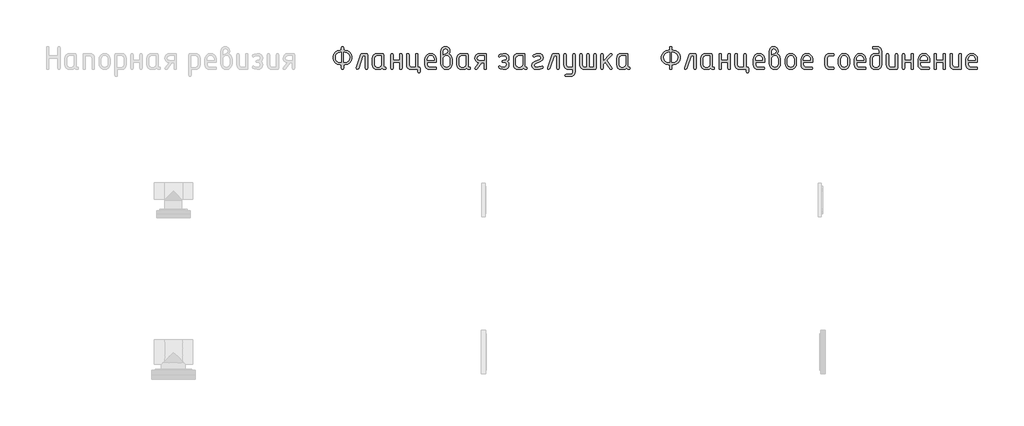
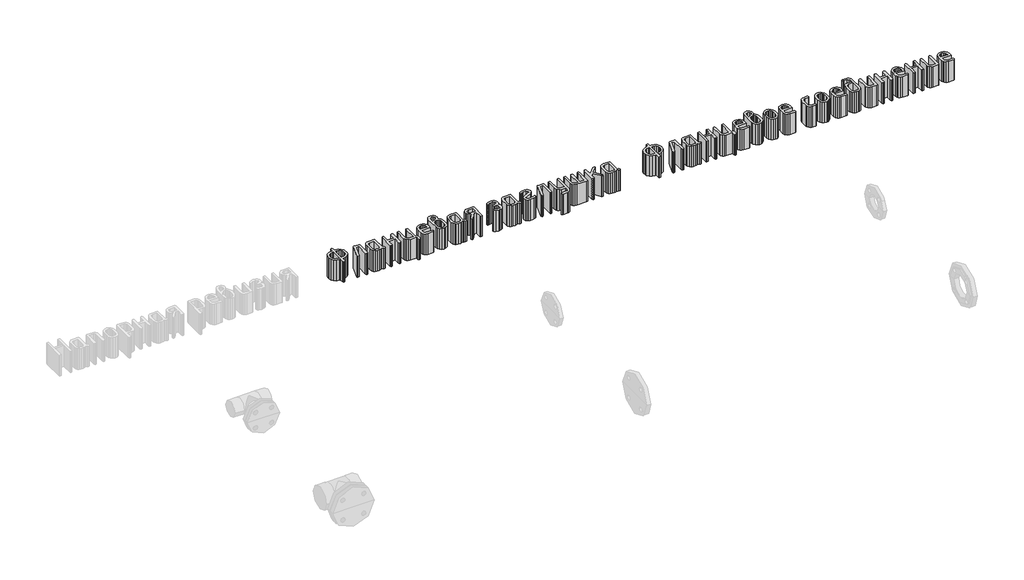
# One storey, part 3 of 3: 2 proxies.
"""IFC4 building model written with IfcOpenShell, lengths in millimetres."""

from ifc_helpers import new_model, si_unit, origin, origin_with_axes, place, context, project, spatial, polyline, outline, extrude, element, save

model = new_model("IFC4")

# Units and contexts
model_context = context("Model", 3, world=origin())
ifc_project = project(units=[si_unit("LENGTHUNIT", "METRE", prefix="MILLI")], contexts=[model_context])

# Site, building, storey
site = spatial("IfcSite", under=ifc_project)
building = spatial("IfcBuilding", under=site)
storey = spatial("IfcBuildingStorey", under=building, Elevation=0.0)

# Proxies
placement = place(None, origin())
element("IfcBuildingElementProxy", 1, Name="Generic Models", at=placement, inside=storey, context=model_context, shape_type="SweptSolid", body=[
    extrude(outline(polyline([(213478.4510747, 29626.5849621), (213478.4510747, 29603.5728393), (213476.5333978, 29597.8198086), (213470.7803671, 29595.9021317), (213465.0273364, 29597.8198086), (213463.1096595, 29603.5728393), (213463.1096595, 29626.5849621), (213455.4389519, 29626.5849621), (213437.7004406, 29629.8809693), (213422.8384446, 29639.7689908), (213412.7706409, 29654.2714223), (213409.4147063, 29671.4106596), (213409.4147063, 29678.9215608), (213412.8006046, 29696.1856468), (213422.9582994, 29710.6631086), (213437.8502591, 29720.4762209), (213455.4389519, 29723.7472583), (213463.1096595, 29723.7472583), (213463.1096595, 29739.0886735), (213465.0273364, 29744.8417042), (213470.7803671, 29746.7593811), (213476.5333978, 29744.8417042), (213478.4510747, 29739.0886735), (213478.4510747, 29723.7472583), (213486.1217823, 29723.7472583), (213503.8602936, 29720.4612391), (213518.7222896, 29710.6031812), (213528.7900933, 29696.1107376), (213532.1460279, 29678.9215608), (213532.1460279, 29671.4106596), (213528.7601296, 29654.1465736), (213518.6024348, 29639.6691118), (213503.7104751, 29629.8559995), (213486.1217823, 29626.5849621), (213478.4510747, 29626.5849621)]), holes=[polyline([(213478.4510747, 29641.9263773), (213486.1217823, 29641.9263773), (213498.0223658, 29644.0787698), (213507.9153813, 29650.5359475), (213514.5823049, 29660.0793865), (213516.8046127, 29671.4905628), (213516.8046127, 29678.8416576), (213514.567323, 29690.3027734), (213507.8554539, 29699.8362245), (213497.9474565, 29706.2634385), (213486.1217823, 29708.4058431), (213478.4510747, 29708.4058431), (213478.4510747, 29641.9263773)]), polyline([(213463.1096595, 29641.9263773), (213463.1096595, 29708.4058431), (213455.4389519, 29708.4058431), (213443.5383685, 29706.2534506), (213433.645353, 29699.7962729), (213426.9784294, 29690.2528339), (213424.7561215, 29678.8416576), (213424.7561215, 29671.4905628), (213426.9934112, 29660.029447), (213433.7052804, 29650.4959959), (213443.6132777, 29644.0687819), (213455.4389519, 29641.9263773), (213463.1096595, 29641.9263773)])]), origin_with_axes(), (0.0, 0.0, 1.0), 150.0),
    extrude(outline(polyline([(213599.1448646, 29700.7351355), (213629.3083242, 29700.7351355), (213635.0613549, 29698.8673981), (213636.9790318, 29693.2641859), (213636.9790318, 29603.3730813), (213635.0613549, 29597.7698691), (213629.3083242, 29595.9021317), (213623.5552935, 29597.7698691), (213621.6376166, 29603.3730813), (213621.6376166, 29685.3937203), (213604.4983793, 29685.3937203), (213576.212645, 29600.9759851), (213569.1412114, 29595.9021317), (213563.5080355, 29597.7998328), (213561.6303102, 29603.4929361), (213561.9898747, 29605.7701774), (213591.6339634, 29694.6225404), (213594.5504304, 29699.2069868), (213599.1448646, 29700.7351355)])), origin_with_axes(), (0.0, 0.0, 1.0), 150.0),
    extrude(outline(polyline([(213756.7938864, 29603.3730813), (213754.926149, 29597.7698691), (213749.3229368, 29595.9021317), (213739.8444192, 29597.8897239), (213732.2636027, 29603.8525005), (213723.1446495, 29597.8897239), (213712.1679469, 29595.9021317), (213697.3059509, 29595.9021317), (213685.8098774, 29598.0695061), (213676.2514566, 29604.5716293), (213669.8092608, 29614.2299291), (213667.6618622, 29625.8658332), (213667.6618622, 29670.771434), (213669.8092608, 29682.4073381), (213676.2514566, 29692.0656379), (213685.8098774, 29698.5677611), (213697.3059509, 29700.7351355), (213734.3810376, 29700.7351355), (213739.9542861, 29698.8673981), (213741.8120356, 29693.2641859), (213741.8120356, 29618.3549321), (213743.684767, 29612.7517199), (213749.302961, 29610.8839825), (213754.921155, 29609.0062572), (213756.7938864, 29603.3730813)]), holes=[polyline([(213726.4706204, 29685.3937203), (213697.5057089, 29685.3937203), (213687.2381472, 29681.0589715), (213683.0032774, 29670.571676), (213683.0032774, 29626.0655913), (213687.2780988, 29615.6182473), (213697.5057089, 29611.2435469), (213711.9681889, 29611.2435469), (213722.2357506, 29615.5782957), (213726.4706204, 29626.0655913), (213726.4706204, 29685.3937203)])]), origin_with_axes(), (0.0, 0.0, 1.0), 150.0),
    extrude(outline(polyline([(213803.1776964, 29641.9263773), (213803.1776964, 29603.5728393), (213801.2600195, 29597.8198086), (213795.5069888, 29595.9021317), (213789.7539581, 29597.7698691), (213787.8362812, 29603.3730813), (213787.8362812, 29693.2641859), (213789.7539581, 29698.8673981), (213795.5069888, 29700.7351355), (213801.2600195, 29698.9273255), (213803.1776964, 29693.5038956), (213803.1776964, 29657.2677925), (213846.6450395, 29657.2677925), (213846.6450395, 29693.5038956), (213848.5627164, 29698.9273255), (213854.3157471, 29700.7351355), (213860.0687778, 29698.8673981), (213861.9864547, 29693.2641859), (213861.9864547, 29603.3730813), (213860.0687778, 29597.7698691), (213854.3157471, 29595.9021317), (213848.5627164, 29597.8198086), (213846.6450395, 29603.5728393), (213846.6450395, 29641.9263773), (213803.1776964, 29641.9263773)])), origin_with_axes(), (0.0, 0.0, 1.0), 150.0),
    extrude(outline(polyline([(213974.4901661, 29611.2435469), (213980.2431968, 29609.32587), (213982.1608737, 29603.5728393), (213982.1608737, 29580.5607165), (213980.2431968, 29574.8076858), (213974.4901661, 29572.8900089), (213968.7371354, 29574.8076858), (213966.8194585, 29580.5607165), (213966.8194585, 29595.9021317), (213922.3133738, 29595.9021317), (213910.8173003, 29598.0844879), (213901.2588795, 29604.6315567), (213894.8166837, 29614.3048384), (213892.6692851, 29625.8658332), (213892.6692851, 29693.2641859), (213894.586962, 29698.8673981), (213900.3399927, 29700.7351355), (213906.0930234, 29698.8673981), (213908.0107003, 29693.2641859), (213908.0107003, 29626.1454945), (213912.2855217, 29615.6581989), (213922.5131318, 29611.2435469), (213951.4780433, 29611.2435469), (213951.4780433, 29693.2641859), (213953.3957202, 29698.8673981), (213959.1487509, 29700.7351355), (213964.9017816, 29698.8673981), (213966.8194585, 29693.2641859), (213966.8194585, 29611.2435469), (213974.4901661, 29611.2435469)])), origin_with_axes(), (0.0, 0.0, 1.0), 150.0),
    extrude(outline(polyline([(214028.1851193, 29641.9263773), (214028.1851193, 29626.5849621), (214032.6197471, 29615.7780537), (214043.1669701, 29611.2435469), (214080.6815244, 29611.2435469), (214086.3147003, 29609.32587), (214088.1924256, 29603.5728393), (214086.3147003, 29597.8198086), (214080.6815244, 29595.9021317), (214043.1669701, 29595.9021317), (214031.5110902, 29598.0695061), (214021.7129598, 29604.5716293), (214015.061018, 29614.2299291), (214012.8437041, 29625.8658332), (214012.8437041, 29663.3004844), (214015.6253344, 29677.693049), (214023.9702253, 29689.7883966), (214036.2103974, 29697.9984508), (214050.6778713, 29700.7351355), (214065.2552121, 29698.078354), (214077.3455657, 29690.1080094), (214085.4807106, 29678.2623594), (214088.1924256, 29663.9796616), (214088.1924256, 29641.9263773), (214028.1851193, 29641.9263773)]), holes=[polyline([(214050.6778713, 29687.2714456), (214042.0483252, 29685.623442), (214034.7771336, 29680.6794313), (214029.8331229, 29673.4082397), (214028.1851193, 29664.7786937), (214028.1851193, 29657.2677925), (214073.1706232, 29657.2677925), (214073.1706232, 29664.7786937), (214071.5226197, 29673.4082397), (214066.5786089, 29680.6794313), (214059.3074173, 29685.623442), (214050.6778713, 29687.2714456)])]), origin_with_axes(), (0.0, 0.0, 1.0), 150.0),
    extrude(outline(polyline([(214169.5738391, 29698.4179426), (214178.7477257, 29692.7797728), (214185.8141653, 29684.5747125), (214191.8268814, 29663.7799036), (214191.8268814, 29633.616444), (214189.1151664, 29619.0391032), (214180.9800214, 29606.8688465), (214168.9995348, 29598.6438104), (214154.7517947, 29595.9021317), (214140.4291453, 29598.6587922), (214128.4636405, 29606.9287739), (214120.3734411, 29619.1140125), (214117.676708, 29633.616444), (214117.676708, 29716.5959216), (214119.8191126, 29728.2817652), (214126.2463266, 29738.0099803), (214135.739826, 29744.5720309), (214147.0810871, 29746.7593811), (214158.4722876, 29744.5570491), (214167.9557992, 29737.9500529), (214174.3530495, 29728.2068559), (214176.4854662, 29716.5959216), (214174.7575594, 29706.3383477), (214169.5738391, 29698.4179426)]), holes=[polyline([(214133.0181232, 29693.4239924), (214150.5169249, 29700.8949419), (214159.1464709, 29706.1286018), (214163.0217763, 29715.9167443), (214158.7070033, 29726.5838221), (214147.9999739, 29730.8985951), (214137.3928236, 29726.5238947), (214133.0181232, 29715.9167443), (214133.0181232, 29693.4239924)]), polyline([(214176.4854662, 29633.7762505), (214176.4854662, 29663.7799036), (214174.9073779, 29672.4094497), (214170.1731131, 29679.6806412), (214163.1616069, 29684.624652), (214154.7517947, 29686.2726556), (214146.3419824, 29684.624652), (214139.3304763, 29679.6806412), (214134.5962114, 29672.4094497), (214133.0181232, 29663.7799036), (214133.0181232, 29633.7762505), (214134.5962114, 29625.0668012), (214139.3304763, 29617.7956096), (214146.3419824, 29612.8815626), (214154.7517947, 29611.2435469), (214163.1616069, 29612.8915505), (214170.1731131, 29617.8355612), (214174.9073779, 29625.1167407), (214176.4854662, 29633.7762505)])]), origin_with_axes(), (0.0, 0.0, 1.0), 150.0),
    extrude(outline(polyline([(214311.641736, 29603.3730813), (214309.7739986, 29597.7698691), (214304.1707864, 29595.9021317), (214294.6922689, 29597.8897239), (214287.1114524, 29603.8525005), (214277.9924992, 29597.8897239), (214267.0157965, 29595.9021317), (214252.1538005, 29595.9021317), (214240.657727, 29598.0695061), (214231.0993063, 29604.5716293), (214224.6571104, 29614.2299291), (214222.5097118, 29625.8658332), (214222.5097118, 29670.771434), (214224.6571104, 29682.4073381), (214231.0993063, 29692.0656379), (214240.657727, 29698.5677611), (214252.1538005, 29700.7351355), (214289.2288873, 29700.7351355), (214294.8021358, 29698.8673981), (214296.6598853, 29693.2641859), (214296.6598853, 29618.3549321), (214298.5326166, 29612.7517199), (214304.1508106, 29610.8839825), (214309.7690047, 29609.0062572), (214311.641736, 29603.3730813)]), holes=[polyline([(214281.3184701, 29685.3937203), (214252.3535586, 29685.3937203), (214242.0859968, 29681.0589715), (214237.851127, 29670.571676), (214237.851127, 29626.0655913), (214242.1259484, 29615.6182473), (214252.3535586, 29611.2435469), (214266.8160385, 29611.2435469), (214277.0836002, 29615.5782957), (214281.3184701, 29626.0655913), (214281.3184701, 29685.3937203)])]), origin_with_axes(), (0.0, 0.0, 1.0), 150.0),
    extrude(outline(polyline([(214368.2132046, 29641.047442), (214357.631024, 29644.1686609), (214349.0564114, 29650.8156087), (214343.3782899, 29660.0094712), (214341.4855828, 29670.771434), (214343.6629451, 29682.4073381), (214350.195032, 29692.0656379), (214359.8733076, 29698.5677611), (214371.4892359, 29700.7351355), (214409.1635967, 29700.7351355), (214414.9166274, 29698.8673981), (214416.8343043, 29693.2641859), (214416.8343043, 29603.3730813), (214414.9166274, 29597.7698691), (214409.1635967, 29595.9021317), (214403.410566, 29597.779857), (214401.4928891, 29603.4130329), (214401.4928891, 29640.8876356), (214386.2713287, 29640.8876356), (214355.0291759, 29598.978405), (214348.996484, 29595.9021317), (214343.3633081, 29597.7698691), (214341.4855828, 29603.3730813), (214342.9637921, 29607.9275639), (214368.2132046, 29641.047442)]), holes=[polyline([(214356.5073852, 29670.371918), (214360.942013, 29659.824695), (214371.4892359, 29655.3900672), (214401.4928891, 29655.3900672), (214401.4928891, 29685.3937203), (214371.4892359, 29685.3937203), (214360.8820856, 29681.0190199), (214356.5073852, 29670.371918)])]), origin_with_axes(), (0.0, 0.0, 1.0), 150.0),
    extrude(outline(polyline([(214549.793236, 29626.6249137), (214545.7980758, 29637.9711687), (214536.9288201, 29641.9263773), (214527.2605324, 29641.9263773), (214521.9469694, 29644.1237154), (214519.7895829, 29649.5571333), (214522.0068968, 29655.010527), (214529.417919, 29657.2677925), (214531.6951603, 29657.2677925), (214534.0922564, 29657.2677925), (214545.7581242, 29661.3228801), (214549.793236, 29671.3307564), (214545.4584872, 29681.3386327), (214534.7714336, 29685.3937203), (214527.2605324, 29685.3937203), (214511.8791656, 29681.5783423), (214502.9699584, 29677.7629643), (214498.9747982, 29680.4996491), (214497.2568793, 29685.7532848), (214500.3331526, 29691.4963276), (214509.5619727, 29696.6600721), (214527.2605324, 29700.7351355), (214534.7714336, 29700.7351355), (214546.4572772, 29698.6177006), (214556.2653956, 29692.2653959), (214562.9173373, 29682.8468057), (214565.1346512, 29671.5305144), (214562.4878576, 29658.2366188), (214554.5474767, 29649.5970849), (214562.4878576, 29640.4082164), (214565.1346512, 29626.5849621), (214562.9173373, 29614.6843786), (214556.2653956, 29604.7913631), (214546.4572772, 29598.1244395), (214534.7714336, 29595.9021317), (214527.2605324, 29595.9021317), (214509.4421179, 29599.8573403), (214500.3031889, 29604.9311938), (214497.2568793, 29610.8839825), (214498.9747982, 29616.1575939), (214503.0898132, 29618.8743029), (214512.2187543, 29615.0589249), (214527.2605324, 29611.2435469), (214534.7714336, 29611.2435469), (214545.4185356, 29615.7381021), (214549.793236, 29626.6249137)])), origin_with_axes(), (0.0, 0.0, 1.0), 150.0),
    extrude(outline(polyline([(214684.9495058, 29603.3730813), (214683.0817684, 29597.7698691), (214677.4785563, 29595.9021317), (214668.0000387, 29597.8897239), (214660.4192222, 29603.8525005), (214651.300269, 29597.8897239), (214640.3235663, 29595.9021317), (214625.4615704, 29595.9021317), (214613.9654969, 29598.0695061), (214604.4070761, 29604.5716293), (214597.9648802, 29614.2299291), (214595.8174816, 29625.8658332), (214595.8174816, 29670.771434), (214597.9648802, 29682.4073381), (214604.4070761, 29692.0656379), (214613.9654969, 29698.5677611), (214625.4615704, 29700.7351355), (214662.5366571, 29700.7351355), (214668.1099056, 29698.8673981), (214669.9676551, 29693.2641859), (214669.9676551, 29618.3549321), (214671.8403864, 29612.7517199), (214677.4585805, 29610.8839825), (214683.0767745, 29609.0062572), (214684.9495058, 29603.3730813)]), holes=[polyline([(214654.6262399, 29685.3937203), (214625.6613284, 29685.3937203), (214615.3937666, 29681.0589715), (214611.1588968, 29670.571676), (214611.1588968, 29626.0655913), (214615.4337182, 29615.6182473), (214625.6613284, 29611.2435469), (214640.1238083, 29611.2435469), (214650.39137, 29615.5782957), (214654.6262399, 29626.0655913), (214654.6262399, 29685.3937203)])]), origin_with_axes(), (0.0, 0.0, 1.0), 150.0),
    extrude(outline(polyline([(214783.1505437, 29618.7544481), (214788.7837196, 29616.8767228), (214790.6614449, 29611.2435469), (214786.4665267, 29604.3718713), (214768.0987777, 29598.0195666), (214741.9204904, 29595.9021317), (214731.7927593, 29597.8098207), (214723.3030438, 29603.5328877), (214717.5500131, 29611.9626757), (214715.6323362, 29621.9905278), (214719.3877868, 29636.0834555), (214730.6541386, 29645.6019247), (214769.5270474, 29664.2593228), (214774.1114938, 29668.2245193), (214775.6396426, 29674.2072718), (214772.3436354, 29682.117689), (214764.4132424, 29685.3937203), (214745.4362314, 29683.7956563), (214734.1698796, 29678.801706), (214730.6541386, 29677.8828191), (214725.4204787, 29680.1600605), (214723.1432374, 29685.3937203), (214727.1383976, 29692.1455411), (214743.0491232, 29698.5877369), (214764.4132424, 29700.7351355), (214774.5110098, 29698.8274465), (214782.9907373, 29693.1043795), (214788.743768, 29684.6745915), (214790.6614449, 29674.6467394), (214786.8760306, 29660.5538117), (214775.5197878, 29651.0353425), (214737.0064433, 29632.617654), (214732.2422148, 29628.5326027), (214730.6541386, 29622.4299955), (214733.9501458, 29614.5195783), (214741.9204904, 29611.2435469), (214762.4855776, 29612.9814416), (214780.31398, 29618.1951256), (214783.1505437, 29618.7544481)])), origin_with_axes(), (0.0, 0.0, 1.0), 150.0),
    extrude(outline(polyline([(214857.1409108, 29700.7351355), (214887.3043704, 29700.7351355), (214893.0574011, 29698.8673981), (214894.975078, 29693.2641859), (214894.975078, 29603.3730813), (214893.0574011, 29597.7698691), (214887.3043704, 29595.9021317), (214881.5513397, 29597.7698691), (214879.6336628, 29603.3730813), (214879.6336628, 29685.3937203), (214862.4944255, 29685.3937203), (214834.2086912, 29600.9759851), (214827.1372576, 29595.9021317), (214821.5040817, 29597.7998328), (214819.6263564, 29603.4929361), (214819.9859209, 29605.7701774), (214849.6300096, 29694.6225404), (214852.5464766, 29699.2069868), (214857.1409108, 29700.7351355)])), origin_with_axes(), (0.0, 0.0, 1.0), 150.0),
    extrude(outline(polyline([(214984.4666666, 29580.3210069), (214984.4666666, 29595.9021317), (214955.0622875, 29595.9021317), (214943.6710869, 29598.0844879), (214934.1875754, 29604.6315567), (214927.7903251, 29614.3048384), (214925.6579084, 29625.8658332), (214925.6579084, 29693.2641859), (214927.5755853, 29698.8673981), (214933.328616, 29700.7351355), (214939.0816467, 29698.8673981), (214940.9993236, 29693.2641859), (214940.9993236, 29626.1454945), (214945.274145, 29615.6581989), (214955.5017551, 29611.2435469), (214984.4666666, 29611.2435469), (214984.4666666, 29693.2641859), (214986.3843435, 29698.8673981), (214992.1373742, 29700.7351355), (214997.8904049, 29698.8474223), (214999.8080818, 29693.1842827), (214999.8080818, 29580.0413457), (214997.7056288, 29568.4304113), (214991.3982696, 29558.6872143), (214982.0246249, 29552.0802182), (214970.7233155, 29549.8778861), (214940.9993236, 29549.8778861), (214935.3661477, 29551.795563), (214933.4884224, 29557.5485937), (214935.7656637, 29562.9021084), (214940.9993236, 29565.2193013), (214969.9642351, 29565.2193013), (214980.2917242, 29569.5140985), (214984.4666666, 29580.3210069)])), origin_with_axes(), (0.0, 0.0, 1.0), 150.0),
    extrude(outline(polyline([(215130.210111, 29595.9021317), (215060.5744686, 29595.9021317), (215049.1233406, 29598.0695061), (215039.3801437, 29604.5716293), (215032.7132201, 29614.0900985), (215030.4909122, 29625.3065108), (215030.4909122, 29693.2641859), (215032.4085891, 29698.8673981), (215038.1616198, 29700.7351355), (215043.9146505, 29698.8673981), (215045.8323274, 29693.2641859), (215045.8323274, 29626.1454945), (215050.3668342, 29615.6581989), (215061.1737426, 29611.2435469), (215076.5151578, 29611.2435469), (215076.5151578, 29693.2641859), (215078.4328347, 29698.8673981), (215084.1858654, 29700.7351355), (215089.9388961, 29698.8673981), (215091.856573, 29693.2641859), (215091.856573, 29611.2435469), (215122.5394034, 29611.2435469), (215122.5394034, 29693.2641859), (215124.4570803, 29698.8673981), (215130.210111, 29700.7351355), (215135.9631417, 29698.8673981), (215137.8808186, 29693.2641859), (215137.8808186, 29603.3730813), (215135.9631417, 29597.7698691), (215130.210111, 29595.9021317)])), origin_with_axes(), (0.0, 0.0, 1.0), 150.0),
    extrude(outline(polyline([(215183.9050642, 29651.5147618), (215231.0479546, 29698.577749), (215236.4014693, 29700.7351355), (215242.0346452, 29698.8673981), (215243.9123705, 29693.2641859), (215241.6351292, 29688.0305261), (215208.6750575, 29655.110406), (215242.4341612, 29607.6878543), (215243.9123705, 29603.2931781), (215242.0346452, 29597.7498933), (215236.4014693, 29595.9021317), (215230.1690194, 29599.0982598), (215197.8881249, 29644.4433282), (215183.9050642, 29630.4602675), (215183.9050642, 29603.4130329), (215181.9873873, 29597.779857), (215176.2343566, 29595.9021317), (215170.4813259, 29597.7698691), (215168.563649, 29603.3730813), (215168.563649, 29693.2641859), (215170.4813259, 29698.8673981), (215176.2343566, 29700.7351355), (215181.9873873, 29698.8673981), (215183.9050642, 29693.2641859), (215183.9050642, 29651.5147618)])), origin_with_axes(), (0.0, 0.0, 1.0), 150.0),
    extrude(outline(polyline([(215362.5286771, 29603.3730813), (215360.6609397, 29597.7698691), (215355.0577275, 29595.9021317), (215345.5792099, 29597.8897239), (215337.9983934, 29603.8525005), (215328.8794402, 29597.8897239), (215317.9027375, 29595.9021317), (215303.0407416, 29595.9021317), (215291.5446681, 29598.0695061), (215281.9862473, 29604.5716293), (215275.5440514, 29614.2299291), (215273.3966528, 29625.8658332), (215273.3966528, 29670.771434), (215275.5440514, 29682.4073381), (215281.9862473, 29692.0656379), (215291.5446681, 29698.5677611), (215303.0407416, 29700.7351355), (215340.1158283, 29700.7351355), (215345.6890768, 29698.8673981), (215347.5468263, 29693.2641859), (215347.5468263, 29618.3549321), (215349.4195576, 29612.7517199), (215355.0377517, 29610.8839825), (215360.6559457, 29609.0062572), (215362.5286771, 29603.3730813)]), holes=[polyline([(215332.2054111, 29685.3937203), (215303.2404996, 29685.3937203), (215292.9729379, 29681.0589715), (215288.738068, 29670.571676), (215288.738068, 29626.0655913), (215293.0128895, 29615.6182473), (215303.2404996, 29611.2435469), (215317.7029795, 29611.2435469), (215327.9705413, 29615.5782957), (215332.2054111, 29626.0655913), (215332.2054111, 29685.3937203)])]), origin_with_axes(), (0.0, 0.0, 1.0), 150.0),
])
element("IfcBuildingElementProxy", 2, Name="Generic Models", at=placement, inside=storey, context=model_context, shape_type="SweptSolid", body=[
    extrude(outline(polyline([(215637.0854139, 29626.5849621), (215637.0854139, 29603.5728393), (215635.167737, 29597.8198086), (215629.4147063, 29595.9021317), (215623.6616756, 29597.8198086), (215621.7439987, 29603.5728393), (215621.7439987, 29626.5849621), (215614.0732911, 29626.5849621), (215596.3347798, 29629.8809693), (215581.4727838, 29639.7689908), (215571.4049801, 29654.2714223), (215568.0490455, 29671.4106596), (215568.0490455, 29678.9215608), (215571.4349438, 29696.1856468), (215581.5926386, 29710.6631086), (215596.4845983, 29720.4762209), (215614.0732911, 29723.7472583), (215621.7439987, 29723.7472583), (215621.7439987, 29739.0886735), (215623.6616756, 29744.8417042), (215629.4147063, 29746.7593811), (215635.167737, 29744.8417042), (215637.0854139, 29739.0886735), (215637.0854139, 29723.7472583), (215644.7561215, 29723.7472583), (215662.4946329, 29720.4612391), (215677.3566288, 29710.6031812), (215687.4244326, 29696.1107376), (215690.7803671, 29678.9215608), (215690.7803671, 29671.4106596), (215687.3944688, 29654.1465736), (215677.236774, 29639.6691118), (215662.3448143, 29629.8559995), (215644.7561215, 29626.5849621), (215637.0854139, 29626.5849621)]), holes=[polyline([(215637.0854139, 29641.9263773), (215644.7561215, 29641.9263773), (215656.656705, 29644.0787698), (215666.5497205, 29650.5359475), (215673.2166441, 29660.0793865), (215675.4389519, 29671.4905628), (215675.4389519, 29678.8416576), (215673.2016622, 29690.3027734), (215666.4897931, 29699.8362245), (215656.5817957, 29706.2634385), (215644.7561215, 29708.4058431), (215637.0854139, 29708.4058431), (215637.0854139, 29641.9263773)]), polyline([(215621.7439987, 29641.9263773), (215621.7439987, 29708.4058431), (215614.0732911, 29708.4058431), (215602.1727077, 29706.2534506), (215592.2796922, 29699.7962729), (215585.6127686, 29690.2528339), (215583.3904607, 29678.8416576), (215583.3904607, 29671.4905628), (215585.6277505, 29660.029447), (215592.3396196, 29650.4959959), (215602.2476169, 29644.0687819), (215614.0732911, 29641.9263773), (215621.7439987, 29641.9263773)])]), origin_with_axes(), (0.0, 0.0, 1.0), 150.0),
    extrude(outline(polyline([(215757.7792038, 29700.7351355), (215787.9426634, 29700.7351355), (215793.6956941, 29698.8673981), (215795.613371, 29693.2641859), (215795.613371, 29603.3730813), (215793.6956941, 29597.7698691), (215787.9426634, 29595.9021317), (215782.1896327, 29597.7698691), (215780.2719558, 29603.3730813), (215780.2719558, 29685.3937203), (215763.1327185, 29685.3937203), (215734.8469842, 29600.9759851), (215727.7755506, 29595.9021317), (215722.1423748, 29597.7998328), (215720.2646495, 29603.4929361), (215720.6242139, 29605.7701774), (215750.2683026, 29694.6225404), (215753.1847696, 29699.2069868), (215757.7792038, 29700.7351355)])), origin_with_axes(), (0.0, 0.0, 1.0), 150.0),
    extrude(outline(polyline([(215915.4282256, 29603.3730813), (215913.5604882, 29597.7698691), (215907.957276, 29595.9021317), (215898.4787584, 29597.8897239), (215890.8979419, 29603.8525005), (215881.7789888, 29597.8897239), (215870.8022861, 29595.9021317), (215855.9402901, 29595.9021317), (215844.4442166, 29598.0695061), (215834.8857958, 29604.5716293), (215828.4436, 29614.2299291), (215826.2962014, 29625.8658332), (215826.2962014, 29670.771434), (215828.4436, 29682.4073381), (215834.8857958, 29692.0656379), (215844.4442166, 29698.5677611), (215855.9402901, 29700.7351355), (215893.0153768, 29700.7351355), (215898.5886253, 29698.8673981), (215900.4463748, 29693.2641859), (215900.4463748, 29618.3549321), (215902.3191062, 29612.7517199), (215907.9373002, 29610.8839825), (215913.5554943, 29609.0062572), (215915.4282256, 29603.3730813)]), holes=[polyline([(215885.1049596, 29685.3937203), (215856.1400481, 29685.3937203), (215845.8724864, 29681.0589715), (215841.6376166, 29670.571676), (215841.6376166, 29626.0655913), (215845.912438, 29615.6182473), (215856.1400481, 29611.2435469), (215870.6025281, 29611.2435469), (215880.8700898, 29615.5782957), (215885.1049596, 29626.0655913), (215885.1049596, 29685.3937203)])]), origin_with_axes(), (0.0, 0.0, 1.0), 150.0),
    extrude(outline(polyline([(215961.8120356, 29641.9263773), (215961.8120356, 29603.5728393), (215959.8943587, 29597.8198086), (215954.141328, 29595.9021317), (215948.3882973, 29597.7698691), (215946.4706204, 29603.3730813), (215946.4706204, 29693.2641859), (215948.3882973, 29698.8673981), (215954.141328, 29700.7351355), (215959.8943587, 29698.9273255), (215961.8120356, 29693.5038956), (215961.8120356, 29657.2677925), (216005.2793787, 29657.2677925), (216005.2793787, 29693.5038956), (216007.1970556, 29698.9273255), (216012.9500863, 29700.7351355), (216018.703117, 29698.8673981), (216020.6207939, 29693.2641859), (216020.6207939, 29603.3730813), (216018.703117, 29597.7698691), (216012.9500863, 29595.9021317), (216007.1970556, 29597.8198086), (216005.2793787, 29603.5728393), (216005.2793787, 29641.9263773), (215961.8120356, 29641.9263773)])), origin_with_axes(), (0.0, 0.0, 1.0), 150.0),
    extrude(outline(polyline([(216133.1245053, 29611.2435469), (216138.877536, 29609.32587), (216140.7952129, 29603.5728393), (216140.7952129, 29580.5607165), (216138.877536, 29574.8076858), (216133.1245053, 29572.8900089), (216127.3714746, 29574.8076858), (216125.4537977, 29580.5607165), (216125.4537977, 29595.9021317), (216080.947713, 29595.9021317), (216069.4516395, 29598.0844879), (216059.8932187, 29604.6315567), (216053.4510229, 29614.3048384), (216051.3036243, 29625.8658332), (216051.3036243, 29693.2641859), (216053.2213012, 29698.8673981), (216058.9743319, 29700.7351355), (216064.7273626, 29698.8673981), (216066.6450395, 29693.2641859), (216066.6450395, 29626.1454945), (216070.9198609, 29615.6581989), (216081.147471, 29611.2435469), (216110.1123825, 29611.2435469), (216110.1123825, 29693.2641859), (216112.0300594, 29698.8673981), (216117.7830901, 29700.7351355), (216123.5361208, 29698.8673981), (216125.4537977, 29693.2641859), (216125.4537977, 29611.2435469), (216133.1245053, 29611.2435469)])), origin_with_axes(), (0.0, 0.0, 1.0), 150.0),
    extrude(outline(polyline([(216186.8194585, 29641.9263773), (216186.8194585, 29626.5849621), (216191.2540863, 29615.7780537), (216201.8013093, 29611.2435469), (216239.3158636, 29611.2435469), (216244.9490395, 29609.32587), (216246.8267648, 29603.5728393), (216244.9490395, 29597.8198086), (216239.3158636, 29595.9021317), (216201.8013093, 29595.9021317), (216190.1454294, 29598.0695061), (216180.347299, 29604.5716293), (216173.6953572, 29614.2299291), (216171.4780433, 29625.8658332), (216171.4780433, 29663.3004844), (216174.2596736, 29677.693049), (216182.6045645, 29689.7883966), (216194.8447366, 29697.9984508), (216209.3122105, 29700.7351355), (216223.8895513, 29698.078354), (216235.9799049, 29690.1080094), (216244.1150498, 29678.2623594), (216246.8267648, 29663.9796616), (216246.8267648, 29641.9263773), (216186.8194585, 29641.9263773)]), holes=[polyline([(216209.3122105, 29687.2714456), (216200.6826644, 29685.623442), (216193.4114729, 29680.6794313), (216188.4674621, 29673.4082397), (216186.8194585, 29664.7786937), (216186.8194585, 29657.2677925), (216231.8049625, 29657.2677925), (216231.8049625, 29664.7786937), (216230.1569589, 29673.4082397), (216225.2129481, 29680.6794313), (216217.9417565, 29685.623442), (216209.3122105, 29687.2714456)])]), origin_with_axes(), (0.0, 0.0, 1.0), 150.0),
    extrude(outline(polyline([(216328.2081783, 29698.4179426), (216337.3820649, 29692.7797728), (216344.4485045, 29684.5747125), (216350.4612206, 29663.7799036), (216350.4612206, 29633.616444), (216347.7495056, 29619.0391032), (216339.6143607, 29606.8688465), (216327.633874, 29598.6438104), (216313.3861339, 29595.9021317), (216299.0634845, 29598.6587922), (216287.0979797, 29606.9287739), (216279.0077803, 29619.1140125), (216276.3110472, 29633.616444), (216276.3110472, 29716.5959216), (216278.4534518, 29728.2817652), (216284.8806658, 29738.0099803), (216294.3741653, 29744.5720309), (216305.7154263, 29746.7593811), (216317.1066268, 29744.5570491), (216326.5901384, 29737.9500529), (216332.9873887, 29728.2068559), (216335.1198054, 29716.5959216), (216333.3918986, 29706.3383477), (216328.2081783, 29698.4179426)]), holes=[polyline([(216291.6524624, 29693.4239924), (216309.1512641, 29700.8949419), (216317.7808101, 29706.1286018), (216321.6561155, 29715.9167443), (216317.3413425, 29726.5838221), (216306.6343131, 29730.8985951), (216296.0271628, 29726.5238947), (216291.6524624, 29715.9167443), (216291.6524624, 29693.4239924)]), polyline([(216335.1198054, 29633.7762505), (216335.1198054, 29663.7799036), (216333.5417171, 29672.4094497), (216328.8074523, 29679.6806412), (216321.7959461, 29684.624652), (216313.3861339, 29686.2726556), (216304.9763217, 29684.624652), (216297.9648155, 29679.6806412), (216293.2305506, 29672.4094497), (216291.6524624, 29663.7799036), (216291.6524624, 29633.7762505), (216293.2305506, 29625.0668012), (216297.9648155, 29617.7956096), (216304.9763217, 29612.8815626), (216313.3861339, 29611.2435469), (216321.7959461, 29612.8915505), (216328.8074523, 29617.8355612), (216333.5417171, 29625.1167407), (216335.1198054, 29633.7762505)])]), origin_with_axes(), (0.0, 0.0, 1.0), 150.0),
    extrude(outline(polyline([(216381.144051, 29633.3367828), (216381.144051, 29663.3004844), (216383.855766, 29677.693049), (216391.990911, 29689.7883966), (216403.9713977, 29697.9984508), (216418.2191377, 29700.7351355), (216432.6166963, 29698.0284145), (216444.5672193, 29689.9082514), (216452.6124732, 29677.8428675), (216455.2942245, 29663.3004844), (216455.2942245, 29633.3367828), (216452.5825095, 29618.9442182), (216444.4473645, 29606.8488707), (216432.4668778, 29598.6388164), (216418.2191377, 29595.9021317), (216403.9713977, 29598.6388164), (216391.990911, 29606.8488707), (216383.855766, 29618.9442182), (216381.144051, 29633.3367828)]), holes=[polyline([(216439.9528093, 29633.7762505), (216439.9528093, 29663.7799036), (216438.3597391, 29672.4094497), (216433.5805287, 29679.6806412), (216426.5540407, 29684.624652), (216418.2191377, 29686.2726556), (216409.8842348, 29684.624652), (216402.8577467, 29679.6806412), (216398.0785363, 29672.4094497), (216396.4854662, 29663.7799036), (216396.4854662, 29633.7762505), (216398.0635545, 29625.0668012), (216402.7978193, 29617.7956096), (216409.8093255, 29612.8815626), (216418.2191377, 29611.2435469), (216426.5540407, 29612.8915505), (216433.5805287, 29617.8355612), (216438.3597391, 29625.1167407), (216439.9528093, 29633.7762505)])]), origin_with_axes(), (0.0, 0.0, 1.0), 150.0),
    extrude(outline(polyline([(216501.3184701, 29641.9263773), (216501.3184701, 29626.5849621), (216505.7530979, 29615.7780537), (216516.3003208, 29611.2435469), (216553.8148752, 29611.2435469), (216559.4480511, 29609.32587), (216561.3257764, 29603.5728393), (216559.4480511, 29597.8198086), (216553.8148752, 29595.9021317), (216516.3003208, 29595.9021317), (216504.6444409, 29598.0695061), (216494.8463105, 29604.5716293), (216488.1943688, 29614.2299291), (216485.9770549, 29625.8658332), (216485.9770549, 29663.3004844), (216488.7586852, 29677.693049), (216497.103576, 29689.7883966), (216509.3437481, 29697.9984508), (216523.811222, 29700.7351355), (216538.3885628, 29698.078354), (216550.4789164, 29690.1080094), (216558.6140614, 29678.2623594), (216561.3257764, 29663.9796616), (216561.3257764, 29641.9263773), (216501.3184701, 29641.9263773)]), holes=[polyline([(216523.811222, 29687.2714456), (216515.181676, 29685.623442), (216507.9104844, 29680.6794313), (216502.9664736, 29673.4082397), (216501.3184701, 29664.7786937), (216501.3184701, 29657.2677925), (216546.303974, 29657.2677925), (216546.303974, 29664.7786937), (216544.6559704, 29673.4082397), (216539.7119597, 29680.6794313), (216532.4407681, 29685.623442), (216523.811222, 29687.2714456)])]), origin_with_axes(), (0.0, 0.0, 1.0), 150.0),
    extrude(outline(polyline([(216657.2895246, 29670.571676), (216657.2895246, 29626.0655913), (216661.7241524, 29615.6182473), (216672.2713753, 29611.2435469), (216694.8040789, 29611.2435469), (216700.4072911, 29609.32587), (216702.2750285, 29603.5728393), (216700.4072911, 29597.8198086), (216694.8040789, 29595.9021317), (216672.2713753, 29595.9021317), (216660.6154954, 29598.0695061), (216650.817365, 29604.5716293), (216644.1654233, 29614.2299291), (216641.9481094, 29625.8658332), (216641.9481094, 29670.771434), (216644.1654233, 29682.4073381), (216650.817365, 29692.0656379), (216660.6154954, 29698.5677611), (216672.2713753, 29700.7351355), (216694.8040789, 29700.7351355), (216700.4072911, 29698.8174586), (216702.2750285, 29693.0644279), (216700.4072911, 29687.3113972), (216694.8040789, 29685.3937203), (216672.2713753, 29685.3937203), (216661.664225, 29681.0589715), (216657.2895246, 29670.571676)])), origin_with_axes(), (0.0, 0.0, 1.0), 150.0),
    extrude(outline(polyline([(216731.439698, 29633.3367828), (216731.439698, 29663.3004844), (216734.151413, 29677.693049), (216742.286558, 29689.7883966), (216754.2670447, 29697.9984508), (216768.5147848, 29700.7351355), (216782.9123433, 29698.0284145), (216794.8628663, 29689.9082514), (216802.9081202, 29677.8428675), (216805.5898715, 29663.3004844), (216805.5898715, 29633.3367828), (216802.8781565, 29618.9442182), (216794.7430115, 29606.8488707), (216782.7625248, 29598.6388164), (216768.5147848, 29595.9021317), (216754.2670447, 29598.6388164), (216742.286558, 29606.8488707), (216734.151413, 29618.9442182), (216731.439698, 29633.3367828)]), holes=[polyline([(216790.2484563, 29633.7762505), (216790.2484563, 29663.7799036), (216788.6553861, 29672.4094497), (216783.8761757, 29679.6806412), (216776.8496877, 29684.624652), (216768.5147848, 29686.2726556), (216760.1798818, 29684.624652), (216753.1533938, 29679.6806412), (216748.3741834, 29672.4094497), (216746.7811132, 29663.7799036), (216746.7811132, 29633.7762505), (216748.3592015, 29625.0668012), (216753.0934663, 29617.7956096), (216760.1049725, 29612.8815626), (216768.5147848, 29611.2435469), (216776.8496877, 29612.8915505), (216783.8761757, 29617.8355612), (216788.6553861, 29625.1167407), (216790.2484563, 29633.7762505)])]), origin_with_axes(), (0.0, 0.0, 1.0), 150.0),
    extrude(outline(polyline([(216851.6141171, 29641.9263773), (216851.6141171, 29626.5849621), (216856.0487449, 29615.7780537), (216866.5959679, 29611.2435469), (216904.1105222, 29611.2435469), (216909.7436981, 29609.32587), (216911.6214234, 29603.5728393), (216909.7436981, 29597.8198086), (216904.1105222, 29595.9021317), (216866.5959679, 29595.9021317), (216854.9400879, 29598.0695061), (216845.1419575, 29604.5716293), (216838.4900158, 29614.2299291), (216836.2727019, 29625.8658332), (216836.2727019, 29663.3004844), (216839.0543322, 29677.693049), (216847.3992231, 29689.7883966), (216859.6393951, 29697.9984508), (216874.106869, 29700.7351355), (216888.6842098, 29698.078354), (216900.7745634, 29690.1080094), (216908.9097084, 29678.2623594), (216911.6214234, 29663.9796616), (216911.6214234, 29641.9263773), (216851.6141171, 29641.9263773)]), holes=[polyline([(216874.106869, 29687.2714456), (216865.477323, 29685.623442), (216858.2061314, 29680.6794313), (216853.2621207, 29673.4082397), (216851.6141171, 29664.7786937), (216851.6141171, 29657.2677925), (216896.599621, 29657.2677925), (216896.599621, 29664.7786937), (216894.9516174, 29673.4082397), (216890.0076067, 29680.6794313), (216882.7364151, 29685.623442), (216874.106869, 29687.2714456)])]), origin_with_axes(), (0.0, 0.0, 1.0), 150.0),
    extrude(outline(polyline([(217015.2558792, 29716.5959216), (217015.2558792, 29626.0655913), (217013.0934987, 29614.3797476), (217006.6063573, 29604.6515325), (216997.0329547, 29598.0894819), (216985.6117904, 29595.9021317), (216970.7497945, 29595.9021317), (216959.253721, 29598.0844879), (216949.6953002, 29604.6315567), (216943.2531043, 29614.3048384), (216941.1057057, 29625.8658332), (216941.1057057, 29670.771434), (216943.2481104, 29682.4073381), (216949.6753244, 29692.0656379), (216959.1688238, 29698.5677611), (216970.5100849, 29700.7351355), (216999.914464, 29700.7351355), (216999.914464, 29716.0765507), (216995.7395216, 29727.0033139), (216985.4120324, 29731.4179659), (216963.6783609, 29731.4179659), (216958.2549309, 29733.3356428), (216956.4471209, 29739.0886735), (216958.2848946, 29744.8417042), (216963.7982157, 29746.7593811), (216985.8515, 29746.7593811), (216997.2427006, 29744.5570491), (217006.7262121, 29737.9500529), (217013.1234624, 29728.2068559), (217015.2558792, 29716.5959216)]), holes=[polyline([(216999.914464, 29626.0655913), (216999.914464, 29685.3937203), (216970.9495525, 29685.3937203), (216960.6819907, 29681.0589715), (216956.4471209, 29670.571676), (216956.4471209, 29626.0655913), (216960.7219423, 29615.6182473), (216970.9495525, 29611.2435469), (216985.4120324, 29611.2435469), (216995.6795942, 29615.5782957), (216999.914464, 29626.0655913)])]), origin_with_axes(), (0.0, 0.0, 1.0), 150.0),
    extrude(outline(polyline([(217120.088883, 29693.2641859), (217120.088883, 29603.3730813), (217118.2311335, 29597.7698691), (217112.657885, 29595.9021317), (217075.5827983, 29595.9021317), (217064.0867248, 29598.0695061), (217054.528304, 29604.5716293), (217048.0861082, 29614.2299291), (217045.9387096, 29625.8658332), (217045.9387096, 29693.2641859), (217047.8563865, 29698.8673981), (217053.6094172, 29700.7351355), (217059.3624479, 29698.8673981), (217061.2801248, 29693.2641859), (217061.2801248, 29626.1454945), (217065.5549462, 29615.6581989), (217075.7825563, 29611.2435469), (217104.7474678, 29611.2435469), (217104.7474678, 29693.2641859), (217106.6651447, 29698.8673981), (217112.4181754, 29700.7351355), (217118.1712061, 29698.8673981), (217120.088883, 29693.2641859)])), origin_with_axes(), (0.0, 0.0, 1.0), 150.0),
    extrude(outline(polyline([(217166.1131286, 29641.9263773), (217166.1131286, 29603.5728393), (217164.1954517, 29597.8198086), (217158.442421, 29595.9021317), (217152.6893903, 29597.7698691), (217150.7717134, 29603.3730813), (217150.7717134, 29693.2641859), (217152.6893903, 29698.8673981), (217158.442421, 29700.7351355), (217164.1954517, 29698.9273255), (217166.1131286, 29693.5038956), (217166.1131286, 29657.2677925), (217209.5804717, 29657.2677925), (217209.5804717, 29693.5038956), (217211.4981486, 29698.9273255), (217217.2511793, 29700.7351355), (217223.00421, 29698.8673981), (217224.9218869, 29693.2641859), (217224.9218869, 29603.3730813), (217223.00421, 29597.7698691), (217217.2511793, 29595.9021317), (217211.4981486, 29597.8198086), (217209.5804717, 29603.5728393), (217209.5804717, 29641.9263773), (217166.1131286, 29641.9263773)])), origin_with_axes(), (0.0, 0.0, 1.0), 150.0),
    extrude(outline(polyline([(217270.9461325, 29641.9263773), (217270.9461325, 29626.5849621), (217275.3807603, 29615.7780537), (217285.9279832, 29611.2435469), (217323.4425376, 29611.2435469), (217329.0757135, 29609.32587), (217330.9534388, 29603.5728393), (217329.0757135, 29597.8198086), (217323.4425376, 29595.9021317), (217285.9279832, 29595.9021317), (217274.2721033, 29598.0695061), (217264.4739729, 29604.5716293), (217257.8220312, 29614.2299291), (217255.6047173, 29625.8658332), (217255.6047173, 29663.3004844), (217258.3863476, 29677.693049), (217266.7312385, 29689.7883966), (217278.9714105, 29697.9984508), (217293.4388844, 29700.7351355), (217308.0162252, 29698.078354), (217320.1065788, 29690.1080094), (217328.2417238, 29678.2623594), (217330.9534388, 29663.9796616), (217330.9534388, 29641.9263773), (217270.9461325, 29641.9263773)]), holes=[polyline([(217293.4388844, 29687.2714456), (217284.8093384, 29685.623442), (217277.5381468, 29680.6794313), (217272.5941361, 29673.4082397), (217270.9461325, 29664.7786937), (217270.9461325, 29657.2677925), (217315.9316364, 29657.2677925), (217315.9316364, 29664.7786937), (217314.2836328, 29673.4082397), (217309.3396221, 29680.6794313), (217302.0684305, 29685.623442), (217293.4388844, 29687.2714456)])]), origin_with_axes(), (0.0, 0.0, 1.0), 150.0),
    extrude(outline(polyline([(217375.7791363, 29641.9263773), (217375.7791363, 29603.5728393), (217373.8614594, 29597.8198086), (217368.1084287, 29595.9021317), (217362.355398, 29597.7698691), (217360.4377211, 29603.3730813), (217360.4377211, 29693.2641859), (217362.355398, 29698.8673981), (217368.1084287, 29700.7351355), (217373.8614594, 29698.9273255), (217375.7791363, 29693.5038956), (217375.7791363, 29657.2677925), (217419.2464794, 29657.2677925), (217419.2464794, 29693.5038956), (217421.1641563, 29698.9273255), (217426.917187, 29700.7351355), (217432.6702177, 29698.8673981), (217434.5878946, 29693.2641859), (217434.5878946, 29603.3730813), (217432.6702177, 29597.7698691), (217426.917187, 29595.9021317), (217421.1641563, 29597.8198086), (217419.2464794, 29603.5728393), (217419.2464794, 29641.9263773), (217375.7791363, 29641.9263773)])), origin_with_axes(), (0.0, 0.0, 1.0), 150.0),
    extrude(outline(polyline([(217539.4208984, 29693.2641859), (217539.4208984, 29603.3730813), (217537.5631489, 29597.7698691), (217531.9899004, 29595.9021317), (217494.9148137, 29595.9021317), (217483.4187402, 29598.0695061), (217473.8603194, 29604.5716293), (217467.4181236, 29614.2299291), (217465.270725, 29625.8658332), (217465.270725, 29693.2641859), (217467.1884019, 29698.8673981), (217472.9414326, 29700.7351355), (217478.6944633, 29698.8673981), (217480.6121402, 29693.2641859), (217480.6121402, 29626.1454945), (217484.8869616, 29615.6581989), (217495.1145717, 29611.2435469), (217524.0794832, 29611.2435469), (217524.0794832, 29693.2641859), (217525.9971601, 29698.8673981), (217531.7501908, 29700.7351355), (217537.5032215, 29698.8673981), (217539.4208984, 29693.2641859)])), origin_with_axes(), (0.0, 0.0, 1.0), 150.0),
    extrude(outline(polyline([(217585.445144, 29641.9263773), (217585.445144, 29626.5849621), (217589.8797719, 29615.7780537), (217600.4269948, 29611.2435469), (217637.9415491, 29611.2435469), (217643.574725, 29609.32587), (217645.4524503, 29603.5728393), (217643.574725, 29597.8198086), (217637.9415491, 29595.9021317), (217600.4269948, 29595.9021317), (217588.7711149, 29598.0695061), (217578.9729845, 29604.5716293), (217572.3210427, 29614.2299291), (217570.1037288, 29625.8658332), (217570.1037288, 29663.3004844), (217572.8853591, 29677.693049), (217581.23025, 29689.7883966), (217593.4704221, 29697.9984508), (217607.937896, 29700.7351355), (217622.5152368, 29698.078354), (217634.6055904, 29690.1080094), (217642.7407353, 29678.2623594), (217645.4524503, 29663.9796616), (217645.4524503, 29641.9263773), (217585.445144, 29641.9263773)]), holes=[polyline([(217607.937896, 29687.2714456), (217599.3083499, 29685.623442), (217592.0371584, 29680.6794313), (217587.0931476, 29673.4082397), (217585.445144, 29664.7786937), (217585.445144, 29657.2677925), (217630.430648, 29657.2677925), (217630.430648, 29664.7786937), (217628.7826444, 29673.4082397), (217623.8386336, 29680.6794313), (217616.567442, 29685.623442), (217607.937896, 29687.2714456)])]), origin_with_axes(), (0.0, 0.0, 1.0), 150.0),
])

save(model, "model.ifc")
